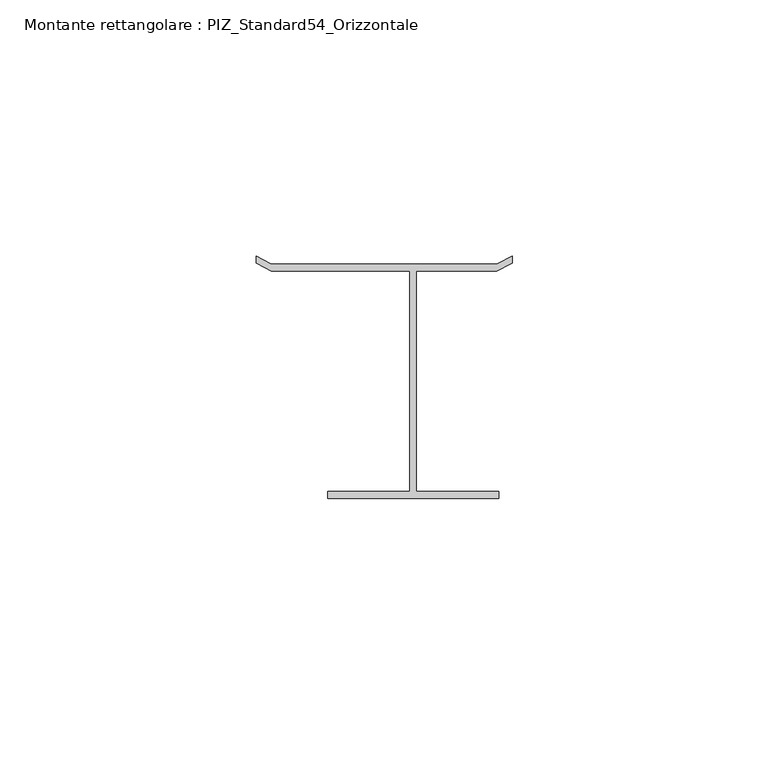
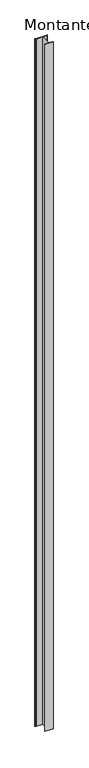
"""IFC4 building model written with IfcOpenShell, lengths in millimetres: member geometry, Montante rettangolare : PIZ_Standard54_Orizzontale."""

from ifc_helpers import new_model, si_unit, frame, origin, place, context, project, spatial, polyline, outline, extrude, source, transform, mapped, element, save


def montante_rettangolare_piz_standard54_orizzontale_e2311b70(model_context):
    return source(origin(), model_context, "Body", "SweptSolid", [
        extrude(outline(polyline([(19.4, -44.3125), (-14.0, -44.3125), (-14.0, -42.9125), (2.0, -42.9125), (2.0, 0.0875), (-25.0, 0.0875), (-28.0, 1.6875), (-28.0, 3.0875), (-25.0, 1.4875), (19.0, 1.4875), (22.0, 3.0875), (22.0, 1.6875), (19.0, 0.0875), (3.3273704, 0.0875), (3.3273704, -42.9125), (19.4, -42.9125), (19.4, -44.3125)])), frame((0.0, 0.0, -3000.0), z_axis=(0.0, 0.0, 1.0), x_axis=(1.0, 0.0, 0.0)), (0.0, 0.0, 1.0), 3000.0),
    ])


if __name__ == "__main__":
    model = new_model("IFC4")
    model_context = context("Model", 3, world=origin())
    ifc_project = project(units=[si_unit("LENGTHUNIT", "METRE", prefix="MILLI")], contexts=[model_context])
    site = spatial("IfcSite", under=ifc_project)
    building = spatial("IfcBuilding", under=site)
    placement = place(None, origin())
    montante_rettangolare_piz_standard54_orizzontale_shape = montante_rettangolare_piz_standard54_orizzontale_e2311b70(model_context)
    element("IfcMember", 1, ObjectType="Montante rettangolare : PIZ_Standard54_Orizzontale", at=placement, inside=building, context=model_context, shape_type="MappedRepresentation", body=[
        mapped(montante_rettangolare_piz_standard54_orizzontale_shape, transform((0.0, 0.0, 0.0), x_axis=(1.0, 0.0, 0.0), y_axis=(0.0, 1.0, 0.0), z_axis=(0.0, 0.0, 1.0))),
    ])
    save(model, "model.ifc")
